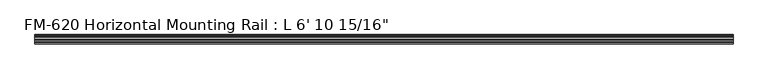
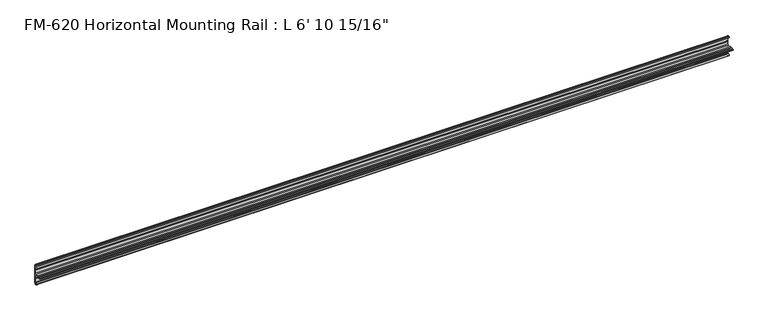
"""IFC4 building model written with IfcOpenShell, lengths in millimetres: proxy geometry."""

from ifc_helpers import new_model, si_unit, frame, origin, place, context, project, spatial, polyline, circle_curve, source, transform, mapped, element, save
from ifc_brep_helpers import plane_surface, cylinder_surface, revolved_surface, advanced_brep


def proxy_766ccd82(model_context):
    return source(origin(), model_context, "Body", "AdvancedBrep", [
        advanced_brep(
        [(2106.6125, 13.6400687, 32.1158903), (2106.6125, 11.9462301, 30.7938136), (2106.6125, 13.6400687, 26.2967369), (2106.6125, 15.4364113, 25.7360779), (2106.6125, 16.1779173, 26.4138515), (2106.6125, 16.9376166, 27.3612928), (2106.6125, 17.4625, 26.8535734), (2106.6125, 17.4625, 15.6659614), (2106.6125, 17.9716639, 14.7485418), (2106.6125, 17.9716639, 13.408381), (2106.6125, 17.4681023, 12.4909614), (2106.6125, 17.4681023, 3.5082566), (2106.6125, 15.5546988, 1.5948531), (2106.6125, 5.2023289, 1.5948531), (2106.6125, 2.0525552, 1.5948531), (2106.6125, -2.484295, 1.5948531), (2106.6125, -5.633895, 1.5948531), (2106.6125, -9.5043031, 1.5948531), (2106.6125, -9.5043031, 0.0), (2106.6125, -5.633895, 0.0), (2106.6125, -2.484295, 0.0), (2106.6125, 2.0526969, 0.0), (2106.6125, 5.2022969, 0.0), (2106.6125, 15.5575, -0.0227595), (2106.6125, 17.4625, -1.9277595), (2106.6125, 17.4625, -10.9034614), (2106.6125, 17.9716639, -11.820881), (2106.6125, 17.9716639, -13.1610418), (2106.6125, 17.4625, -14.0784614), (2106.6125, 17.4625, -25.2660734), (2106.6125, 16.9376166, -25.7737928), (2106.6125, 16.1779173, -24.8263515), (2106.6125, 15.4364113, -24.1485779), (2106.6125, 13.6400687, -24.7092369), (2106.6125, 11.9462301, -29.2063136), (2106.6125, 13.6400687, -30.5283903), (2106.6125, 15.4750158, -31.1010982), (2106.6125, 16.1549378, -30.6811835), (2106.6125, 16.1549378, -29.1395734), (2106.6125, 17.7424378, -27.5520734), (2106.6125, 19.05, -27.5520734), (2106.6125, 19.05, 0.0), (2106.6125, 19.05, 29.1395734), (2106.6125, 17.7424378, 29.1395734), (2106.6125, 16.1549378, 30.7270734), (2106.6125, 16.1549378, 32.2686835), (2106.6125, 15.4750158, 32.6885982), (0.0, 13.6400687, 32.1158903), (0.0, 15.4750158, 32.6885982), (0.0, 16.1549378, 32.2686835), (0.0, 16.1549378, 30.7270734), (0.0, 17.7424378, 29.1395734), (0.0, 19.05, 29.1395734), (0.0, 19.05, 0.0), (0.0, 19.05, -27.5520734), (0.0, 17.7424378, -27.5520734), (0.0, 16.1549378, -29.1395734), (0.0, 16.1549378, -30.6811835), (0.0, 15.4750158, -31.1010982), (0.0, 13.6400687, -30.5283903), (0.0, 11.9462301, -29.2063136), (0.0, 13.6400687, -24.7092369), (0.0, 15.4364113, -24.1485779), (0.0, 16.1779173, -24.8263515), (0.0, 16.9376166, -25.7737928), (0.0, 17.4625, -25.2660734), (0.0, 17.4625, -14.0784614), (0.0, 17.9716639, -13.1610418), (0.0, 17.9716639, -11.820881), (0.0, 17.4625, -10.9034614), (0.0, 17.4625, -1.9277595), (0.0, 15.5575, -0.0227595), (0.0, 5.2021324, -0.0227595), (0.0, 2.0526969, 0.0), (0.0, -2.484295, 0.0), (0.0, -5.633895, 0.0), (0.0, -9.5043031, 0.0), (0.0, -9.5043031, 1.5948531), (0.0, -5.633895, 1.5948531), (0.0, -2.484295, 1.5948531), (0.0, 2.0525552, 1.5948531), (0.0, 5.2023289, 1.5948531), (0.0, 15.5546988, 1.5948531), (0.0, 17.4681023, 3.5082566), (0.0, 17.4681023, 12.4909614), (0.0, 17.9716639, 13.408381), (0.0, 17.9716639, 14.7485418), (0.0, 17.4625, 15.6659614), (0.0, 17.4625, 26.8535734), (0.0, 16.9376166, 27.3612928), (0.0, 16.1779173, 26.4138515), (0.0, 15.4364113, 25.7360779), (0.0, 13.6400687, 26.2967369), (0.0, 11.9462301, 30.7938136)],
        [
            (0, 1, circle_curve(frame((2106.6125, 14.5481808, 29.2063136), z_axis=(1.0, 0.0, 0.0), x_axis=(0.0, -1.0, 0.0)), 3.048)),
            (1, 2, circle_curve(frame((2106.6125, 14.5481808, 29.2063136), z_axis=(1.0, 0.0, 0.0), x_axis=(0.0, -1.0, 0.0)), 3.048)),
            (2, 3),
            (3, 4, circle_curve(frame((2106.6125, 15.6245238, 26.2747792), z_axis=(1.0, 0.0, 0.0), x_axis=(0.0, -1.0, 0.0)), 0.5706009)),
            (4, 5, circle_curve(frame((2106.6125, 16.9169378, 26.5995734), z_axis=(-1.0, 0.0, 0.0), x_axis=(0.0, -1.0, 0.0)), 0.762)),
            (5, 6, circle_curve(frame((2106.6125, 16.9545, 26.8535734), z_axis=(-1.0, 0.0, 0.0), x_axis=(0.0, -1.0, 0.0)), 0.508)),
            (6, 7),
            (7, 8),
            (8, 9),
            (9, 10),
            (10, 11),
            (11, 12, circle_curve(frame((2106.6125, 15.5546988, 3.5082566), z_axis=(-1.0, 0.0, 0.0), x_axis=(0.0, -1.0, 0.0)), 1.9134035)),
            (12, 13),
            (13, 14, circle_curve(frame((2106.6125, 3.627442, 1.5948531), z_axis=(1.0, 0.0, 0.0), x_axis=(0.0, -1.0, 0.0)), 1.5748869)),
            (14, 15),
            (15, 16, circle_curve(frame((2106.6125, -4.059095, 1.5948531), z_axis=(1.0, 0.0, 0.0), x_axis=(0.0, -1.0, 0.0)), 1.5748)),
            (16, 17),
            (17, 18),
            (18, 19),
            (19, 20, circle_curve(frame((2106.6125, -4.059095, 0.0), z_axis=(1.0, 0.0, 0.0), x_axis=(0.0, -1.0, 0.0)), 1.5748)),
            (20, 21),
            (21, 22, circle_curve(frame((2106.6125, 3.6274969, 0.0), z_axis=(1.0, 0.0, 0.0), x_axis=(0.0, -1.0, 0.0)), 1.5748)),
            (22, 23),
            (23, 24, circle_curve(frame((2106.6125, 15.5575, -1.9277595), z_axis=(-1.0, 0.0, 0.0), x_axis=(0.0, -1.0, 0.0)), 1.905)),
            (24, 25),
            (25, 26),
            (26, 27),
            (27, 28),
            (28, 29),
            (29, 30, circle_curve(frame((2106.6125, 16.9545, -25.2660734), z_axis=(-1.0, 0.0, 0.0), x_axis=(0.0, -1.0, 0.0)), 0.508)),
            (30, 31, circle_curve(frame((2106.6125, 16.9169378, -25.0120734), z_axis=(-1.0, 0.0, 0.0), x_axis=(0.0, -1.0, 0.0)), 0.762)),
            (31, 32, circle_curve(frame((2106.6125, 15.6245238, -24.6872792), z_axis=(1.0, 0.0, 0.0), x_axis=(0.0, -1.0, 0.0)), 0.5706009)),
            (32, 33),
            (33, 34, circle_curve(frame((2106.6125, 14.5481808, -27.6188136), z_axis=(1.0, 0.0, 0.0), x_axis=(0.0, -1.0, 0.0)), 3.048)),
            (34, 35, circle_curve(frame((2106.6125, 14.5481808, -27.6188136), z_axis=(1.0, 0.0, 0.0), x_axis=(0.0, -1.0, 0.0)), 3.048)),
            (35, 36),
            (36, 37, circle_curve(frame((2106.6125, 15.6853088, -30.6811835), z_axis=(1.0, 0.0, 0.0), x_axis=(0.0, -1.0, 0.0)), 0.4696291)),
            (37, 38),
            (38, 39, circle_curve(frame((2106.6125, 17.7424378, -29.1395734), z_axis=(-1.0, 0.0, 0.0), x_axis=(0.0, -1.0, 0.0)), 1.5875)),
            (39, 40),
            (40, 41),
            (41, 42),
            (42, 43),
            (43, 44, circle_curve(frame((2106.6125, 17.7424378, 30.7270734), z_axis=(-1.0, 0.0, 0.0), x_axis=(0.0, -1.0, 0.0)), 1.5875)),
            (44, 45),
            (45, 46, circle_curve(frame((2106.6125, 15.6853088, 32.2686835), z_axis=(1.0, 0.0, 0.0), x_axis=(0.0, -1.0, 0.0)), 0.4696291)),
            (46, 0),
            (47, 48),
            (48, 49, circle_curve(frame((0.0, 15.6853088, 32.2686835), z_axis=(-1.0, 0.0, 0.0), x_axis=(0.0, -1.0, 0.0)), 0.4696291)),
            (49, 50),
            (50, 51, circle_curve(frame((0.0, 17.7424378, 30.7270734), z_axis=(1.0, 0.0, 0.0), x_axis=(0.0, -1.0, 0.0)), 1.5875)),
            (51, 52),
            (52, 53),
            (53, 54),
            (54, 55),
            (55, 56, circle_curve(frame((0.0, 17.7424378, -29.1395734), z_axis=(1.0, 0.0, 0.0), x_axis=(0.0, -1.0, 0.0)), 1.5875)),
            (56, 57),
            (57, 58, circle_curve(frame((0.0, 15.6853088, -30.6811835), z_axis=(-1.0, 0.0, 0.0), x_axis=(0.0, -1.0, 0.0)), 0.4696291)),
            (58, 59),
            (59, 60, circle_curve(frame((0.0, 14.5481808, -27.6188136), z_axis=(-1.0, 0.0, 0.0), x_axis=(0.0, -1.0, 0.0)), 3.048)),
            (60, 61, circle_curve(frame((0.0, 14.5481808, -27.6188136), z_axis=(-1.0, 0.0, 0.0), x_axis=(0.0, -1.0, 0.0)), 3.048)),
            (61, 62),
            (62, 63, circle_curve(frame((0.0, 15.6245238, -24.6872792), z_axis=(-1.0, 0.0, 0.0), x_axis=(0.0, -1.0, 0.0)), 0.5706009)),
            (63, 64, circle_curve(frame((0.0, 16.9169378, -25.0120734), z_axis=(1.0, 0.0, 0.0), x_axis=(0.0, -1.0, 0.0)), 0.762)),
            (64, 65, circle_curve(frame((0.0, 16.9545, -25.2660734), z_axis=(1.0, 0.0, 0.0), x_axis=(0.0, -1.0, 0.0)), 0.508)),
            (65, 66),
            (66, 67),
            (67, 68),
            (68, 69),
            (69, 70),
            (70, 71, circle_curve(frame((0.0, 15.5575, -1.9277595), z_axis=(1.0, 0.0, 0.0), x_axis=(0.0, -1.0, 0.0)), 1.905)),
            (71, 72),
            (72, 73, circle_curve(frame((0.0, 3.6274969, 0.0), z_axis=(-1.0, 0.0, 0.0), x_axis=(0.0, -1.0, 0.0)), 1.5748)),
            (73, 74),
            (74, 75, circle_curve(frame((0.0, -4.059095, 0.0), z_axis=(-1.0, 0.0, 0.0), x_axis=(0.0, -1.0, 0.0)), 1.5748)),
            (75, 76),
            (76, 77),
            (77, 78),
            (78, 79, circle_curve(frame((0.0, -4.059095, 1.5948531), z_axis=(-1.0, 0.0, 0.0), x_axis=(0.0, -1.0, 0.0)), 1.5748)),
            (79, 80),
            (80, 81, circle_curve(frame((0.0, 3.627442, 1.5948531), z_axis=(-1.0, 0.0, 0.0), x_axis=(0.0, -1.0, 0.0)), 1.5748869)),
            (81, 82),
            (82, 83, circle_curve(frame((0.0, 15.5546988, 3.5082566), z_axis=(1.0, 0.0, 0.0), x_axis=(0.0, -1.0, 0.0)), 1.9134035)),
            (83, 84),
            (84, 85),
            (85, 86),
            (86, 87),
            (87, 88),
            (88, 89, circle_curve(frame((0.0, 16.9545, 26.8535734), z_axis=(1.0, 0.0, 0.0), x_axis=(0.0, -1.0, 0.0)), 0.508)),
            (89, 90, circle_curve(frame((0.0, 16.9169378, 26.5995734), z_axis=(1.0, 0.0, 0.0), x_axis=(0.0, -1.0, 0.0)), 0.762)),
            (90, 91, circle_curve(frame((0.0, 15.6245238, 26.2747792), z_axis=(-1.0, 0.0, 0.0), x_axis=(0.0, -1.0, 0.0)), 0.5706009)),
            (91, 92),
            (92, 93, circle_curve(frame((0.0, 14.5481808, 29.2063136), z_axis=(-1.0, 0.0, 0.0), x_axis=(0.0, -1.0, 0.0)), 3.048)),
            (93, 47, circle_curve(frame((0.0, 14.5481808, 29.2063136), z_axis=(-1.0, 0.0, 0.0), x_axis=(0.0, -1.0, 0.0)), 3.048)),
            (47, 0),
            (46, 48),
            (45, 49),
            (44, 50),
            (43, 51),
            (42, 52),
            (41, 53),
            (82, 12),
            (11, 83),
            (10, 84),
            (9, 85),
            (8, 86),
            (7, 87),
            (6, 88),
            (5, 89),
            (4, 90),
            (3, 91),
            (2, 92),
            (1, 93),
            (79, 15),
            (14, 80),
            (40, 54),
            (39, 55),
            (38, 56),
            (37, 57),
            (36, 58),
            (35, 59),
            (34, 60),
            (33, 61),
            (32, 62),
            (31, 63),
            (30, 64),
            (29, 65),
            (28, 66),
            (27, 67),
            (26, 68),
            (25, 69),
            (24, 70),
            (23, 71),
            (22, 72),
            (73, 21),
            (20, 74),
            (81, 13),
            (19, 75),
            (18, 76),
            (17, 77),
            (16, 78),
        ],
        [
            plane_surface(frame((2106.6125, 13.6400687, 32.1158903), z_axis=(1.0000000000000002, 0.0, 0.0), x_axis=(0.0, -0.9545855229405112, -0.29793703930929905))),
            plane_surface(frame((0.0, 13.6400687, 32.1158903), z_axis=(-1.0000000000000002, 0.0, 0.0), x_axis=(0.0, 0.9545855229405112, 0.29793703930929905))),
            plane_surface(frame((0.0, 13.6400687, 32.1158903), z_axis=(0.0, -0.29793703930929905, 0.9545855229405112), x_axis=(1.0, 0.0, 0.0))),
            cylinder_surface(frame((2106.6125, 15.6853088, 32.2686835), z_axis=(-1.0, 0.0, 0.0), x_axis=(0.0, -1.0, 0.0)), 0.4696291),
            plane_surface(frame((0.0, 16.1549378, 32.2686835), z_axis=(0.0, 1.0, 0.0), x_axis=(1.0, 0.0, 0.0))),
            revolved_surface(polyline([(2106.6125, 16.154937800000003, 30.7270734), (0.0, 16.154937800000003, 30.7270734)]), (2106.6125, 17.7424378, 30.7270734), (1.0, 0.0, 0.0)),
            plane_surface(frame((0.0, 17.7424378, 29.1395734), z_axis=(0.0, 0.0, 1.0), x_axis=(1.0, 0.0, 0.0))),
            plane_surface(frame((0.0, 19.05, 29.1395734), z_axis=(0.0, 1.0, 0.0), x_axis=(1.0, 0.0, 0.0))),
            revolved_surface(polyline([(2106.6125, 13.641295300000001, 3.5082566), (0.0, 13.641295300000001, 3.5082566)]), (2106.6125, 15.5546988, 3.5082566), (1.0, 0.0, 0.0)),
            plane_surface(frame((0.0, 17.4681023, 3.5082566), z_axis=(0.0, -1.0, 0.0), x_axis=(1.0, 0.0, 0.0))),
            plane_surface(frame((0.0, 17.4681023, 12.4909614), z_axis=(0.0, -0.8766268538755736, 0.48117082108562426), x_axis=(1.0, 0.0, 0.0))),
            plane_surface(frame((0.0, 17.9716639, 13.408381), z_axis=(0.0, -1.0, 0.0), x_axis=(1.0, 0.0, 0.0))),
            plane_surface(frame((0.0, 17.9716639, 14.7485418), z_axis=(0.0, -0.8743650453416105, -0.4852687579937157), x_axis=(1.0, 0.0, 0.0))),
            plane_surface(frame((0.0, 17.4625, 15.6659614), z_axis=(0.0, -1.0, 0.0), x_axis=(1.0, 0.0, 0.0))),
            revolved_surface(polyline([(2106.6125, 16.4465, 26.8535734), (0.0, 16.4465, 26.8535734)]), (2106.6125, 16.9545, 26.8535734), (1.0, 0.0, 0.0)),
            revolved_surface(polyline([(2106.6125, 16.1549378, 26.5995734), (0.0, 16.1549378, 26.5995734)]), (2106.6125, 16.9169378, 26.5995734), (1.0, 0.0, 0.0)),
            cylinder_surface(frame((2106.6125, 15.6245238, 26.2747792), z_axis=(-1.0, 0.0, 0.0), x_axis=(0.0, -1.0, 0.0)), 0.5706009),
            plane_surface(frame((0.0, 15.4364113, 25.7360779), z_axis=(0.0, -0.2979370393101009, -0.9545855229402609), x_axis=(1.0, 0.0, 0.0))),
            cylinder_surface(frame((2106.6125, 14.5481808, 29.2063136), z_axis=(-1.0, 0.0, 0.0), x_axis=(0.0, -1.0, 0.0)), 3.048),
            plane_surface(frame((0.0, -2.484295, 1.5948531), z_axis=(0.0, 0.0, 1.0), x_axis=(1.0, 0.0, 0.0))),
            plane_surface(frame((0.0, 19.05, 0.0), z_axis=(0.0, 1.0, 0.0), x_axis=(1.0, 0.0, 0.0))),
            plane_surface(frame((0.0, 19.05, -27.5520734), z_axis=(0.0, 0.0, -1.0), x_axis=(1.0, 0.0, 0.0))),
            revolved_surface(polyline([(2106.6125, 16.154937800000003, -29.1395734), (0.0, 16.154937800000003, -29.1395734)]), (2106.6125, 17.7424378, -29.1395734), (1.0, 0.0, 0.0)),
            plane_surface(frame((0.0, 16.1549378, -29.1395734), z_axis=(0.0, 1.0, 0.0), x_axis=(1.0, 0.0, 0.0))),
            cylinder_surface(frame((2106.6125, 15.6853088, -30.6811835), z_axis=(-1.0, 0.0, 0.0), x_axis=(0.0, -1.0, 0.0)), 0.4696291),
            plane_surface(frame((0.0, 15.4750158, -31.1010982), z_axis=(0.0, -0.2979370393090683, -0.9545855229405833), x_axis=(1.0, 0.0, 0.0))),
            cylinder_surface(frame((2106.6125, 14.5481808, -27.6188136), z_axis=(-1.0, 0.0, 0.0), x_axis=(0.0, -1.0, 0.0)), 3.048),
            plane_surface(frame((0.0, 13.6400687, -24.7092369), z_axis=(0.0, -0.2979370393424987, 0.9545855229301492), x_axis=(1.0, 0.0, 0.0))),
            cylinder_surface(frame((2106.6125, 15.6245238, -24.6872792), z_axis=(-1.0, 0.0, 0.0), x_axis=(0.0, -1.0, 0.0)), 0.5706009),
            revolved_surface(polyline([(2106.6125, 16.1549378, -25.0120734), (0.0, 16.1549378, -25.0120734)]), (2106.6125, 16.9169378, -25.0120734), (1.0, 0.0, 0.0)),
            revolved_surface(polyline([(2106.6125, 16.4465, -25.2660734), (0.0, 16.4465, -25.2660734)]), (2106.6125, 16.9545, -25.2660734), (1.0, 0.0, 0.0)),
            plane_surface(frame((0.0, 17.4625, -25.2660734), z_axis=(0.0, -1.0, 0.0), x_axis=(1.0, 0.0, 0.0))),
            plane_surface(frame((0.0, 17.4625, -14.0784614), z_axis=(0.0, -0.8743650443696134, 0.48526875974507594), x_axis=(1.0, 0.0, 0.0))),
            plane_surface(frame((0.0, 17.9716639, -13.1610418), z_axis=(0.0, -1.0, 0.0), x_axis=(1.0, 0.0, 0.0))),
            plane_surface(frame((0.0, 17.9716639, -11.820881), z_axis=(0.0, -0.8743650440122003, -0.48526876038906863), x_axis=(1.0, 0.0, 0.0))),
            plane_surface(frame((0.0, 17.4625, -10.9034614), z_axis=(0.0, -1.0, 0.0), x_axis=(1.0, 0.0, 0.0))),
            revolved_surface(polyline([(2106.6125, 13.6525, -1.9277595), (0.0, 13.6525, -1.9277595)]), (2106.6125, 15.5575, -1.9277595), (1.0, 0.0, 0.0)),
            plane_surface(frame((0.0, 15.5575, -0.0227595), z_axis=(0.0, 0.0, -1.0), x_axis=(1.0, 0.0, 0.0))),
            plane_surface(frame((0.0, 2.0526969, 0.0), z_axis=(0.0, 0.0, -1.0), x_axis=(1.0, 0.0, 0.0))),
            plane_surface(frame((0.0, 5.2023289, 1.5948531), z_axis=(0.0, 0.0, 1.0), x_axis=(1.0, 0.0, 0.0))),
            cylinder_surface(frame((2106.6125, 3.6274969, 0.0), z_axis=(-1.0, 0.0, 0.0), x_axis=(0.0, -1.0, 0.0)), 1.5748),
            cylinder_surface(frame((2106.6125, -4.059095, 0.0), z_axis=(-1.0, 0.0, 0.0), x_axis=(0.0, -1.0, 0.0)), 1.5748),
            plane_surface(frame((0.0, -5.633895, 0.0), z_axis=(0.0, 0.0, -1.0), x_axis=(1.0, 0.0, 0.0))),
            plane_surface(frame((0.0, -9.5043031, 0.0), z_axis=(0.0, -1.0, 0.0), x_axis=(1.0, 0.0, 0.0))),
            plane_surface(frame((0.0, -9.5043031, 1.5948531), z_axis=(0.0, 0.0, 1.0), x_axis=(1.0, 0.0, 0.0))),
            cylinder_surface(frame((2106.6125, -4.059095, 1.5948531), z_axis=(-1.0, 0.0, 0.0), x_axis=(0.0, -1.0, 0.0)), 1.5748),
            cylinder_surface(frame((2106.6125, 3.627442, 1.5948531), z_axis=(-1.0, 0.0, 0.0), x_axis=(0.0, -1.0, 0.0)), 1.5748869),
        ],
        [
            (0, [[1, 2, 3, 4, 5, 6, 7, 8, 9, 10, 11, 12, 13, 14, 15, 16, 17, 18, 19, 20, 21, 22, 23, 24, 25, 26, 27, 28, 29, 30, 31, 32, 33, 34, 35, 36, 37, 38, 39, 40, 41, 42, 43, 44, 45, 46, 47]]),
            (1, [[48, 49, 50, 51, 52, 53, 54, 55, 56, 57, 58, 59, 60, 61, 62, 63, 64, 65, 66, 67, 68, 69, 70, 71, 72, 73, 74, 75, 76, 77, 78, 79, 80, 81, 82, 83, 84, 85, 86, 87, 88, 89, 90, 91, 92, 93, 94]]),
            (2, [[-48, 95, -47, 96]]),
            (3, [[-49, -96, -46, 97]]),
            (4, [[-50, -97, -45, 98]]),
            (5, [[-51, -98, -44, 99]]),
            (6, [[-52, -99, -43, 100]]),
            (7, [[-53, -100, -42, 101]]),
            (8, [[-83, 102, -12, 103]]),
            (9, [[-84, -103, -11, 104]]),
            (10, [[-85, -104, -10, 105]]),
            (11, [[-86, -105, -9, 106]]),
            (12, [[-87, -106, -8, 107]]),
            (13, [[-88, -107, -7, 108]]),
            (14, [[-89, -108, -6, 109]]),
            (15, [[-90, -109, -5, 110]]),
            (16, [[-91, -110, -4, 111]]),
            (17, [[-92, -111, -3, 112]]),
            (18, [[-93, -112, -2, 113]]),
            (18, [[-94, -113, -1, -95]]),
            (19, [[-80, 114, -15, 115]]),
            (20, [[-54, -101, -41, 116]]),
            (21, [[-55, -116, -40, 117]]),
            (22, [[-56, -117, -39, 118]]),
            (23, [[-57, -118, -38, 119]]),
            (24, [[-58, -119, -37, 120]]),
            (25, [[-59, -120, -36, 121]]),
            (26, [[-60, -121, -35, 122]]),
            (26, [[-61, -122, -34, 123]]),
            (27, [[-62, -123, -33, 124]]),
            (28, [[-63, -124, -32, 125]]),
            (29, [[-64, -125, -31, 126]]),
            (30, [[-65, -126, -30, 127]]),
            (31, [[-66, -127, -29, 128]]),
            (32, [[-67, -128, -28, 129]]),
            (33, [[-68, -129, -27, 130]]),
            (34, [[-69, -130, -26, 131]]),
            (35, [[-70, -131, -25, 132]]),
            (36, [[-71, -132, -24, 133]]),
            (37, [[-72, -133, -23, 134]]),
            (38, [[-74, 135, -21, 136]]),
            (39, [[-82, 137, -13, -102]]),
            (40, [[-73, -134, -22, -135]]),
            (41, [[-75, -136, -20, 138]]),
            (42, [[-76, -138, -19, 139]]),
            (43, [[-77, -139, -18, 140]]),
            (44, [[-78, -140, -17, 141]]),
            (45, [[-79, -141, -16, -114]]),
            (46, [[-81, -115, -14, -137]]),
        ],
    ),
    ])


if __name__ == "__main__":
    model = new_model("IFC4")
    model_context = context("Model", 3, world=origin())
    ifc_project = project(units=[si_unit("LENGTHUNIT", "METRE", prefix="MILLI")], contexts=[model_context])
    site = spatial("IfcSite", under=ifc_project)
    building = spatial("IfcBuilding", under=site)
    placement = place(None, origin())
    proxy_shape = proxy_766ccd82(model_context)
    element("IfcBuildingElementProxy", 1, Name="FM-620 Horizontal Mounting Rail : L 6' 10 15/16\"", ObjectType="FM-620 Horizontal Mounting Rail : L 6' 10 15/16\"", at=placement, inside=building, context=model_context, shape_type="MappedRepresentation", body=[
        mapped(proxy_shape, transform((0.0, 0.0, 0.0), x_axis=(1.0, 0.0, 0.0), y_axis=(0.0, 1.0, 0.0), z_axis=(0.0, 0.0, 1.0))),
    ])
    save(model, "model.ifc")
